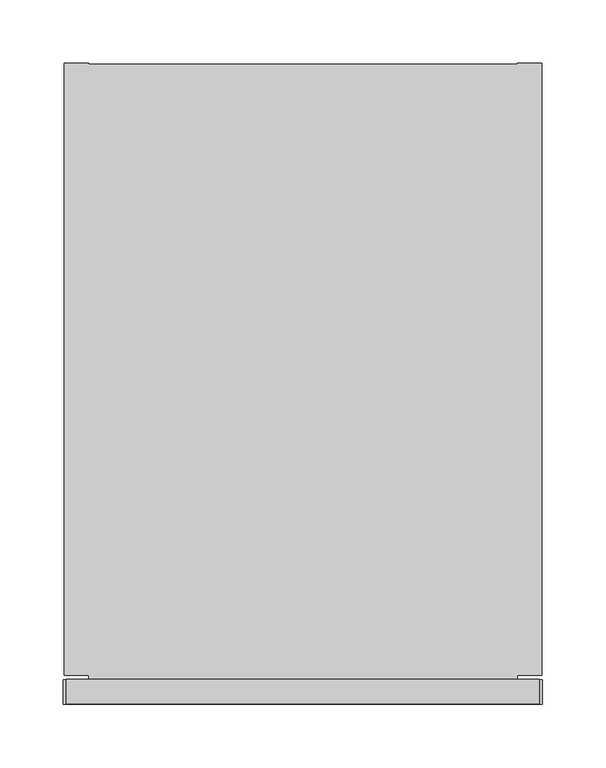
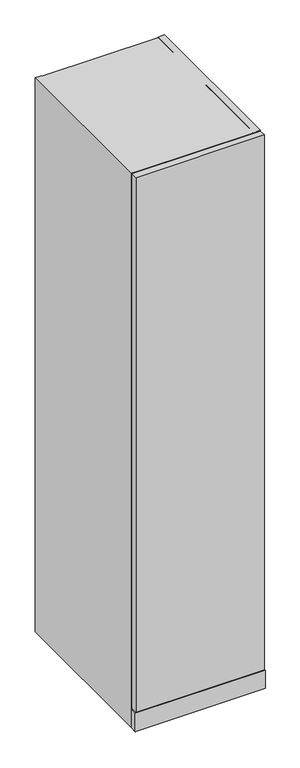
"""IFC4 building model written with IfcOpenShell, lengths in millimetres: furniture geometry."""

from ifc_helpers import new_model, si_unit, origin, place, context, project, spatial, triangles, source, transform, mapped, element, save


def furniture_85e6de10(model_context):
    return source(origin(), model_context, "Body", "Tessellation", [
        triangles([(0.0, -504.825, 4.6990001), (377.8250121, -504.825, 4.6990001), (377.8250121, -504.825, 60.2742007), (0.0, -504.825, 60.2742007), (377.8250121, -485.5209821, 4.6990001), (377.8250121, -485.5209821, 60.2742007), (0.0, -485.5209821, 4.6990001), (0.0, -485.5209821, 60.2742007)], [[1, 2, 3], [1, 3, 4], [3, 2, 5], [3, 5, 6], [5, 7, 8], [5, 8, 6], [8, 7, 1], [8, 1, 4], [7, 5, 2], [7, 2, 1], [8, 4, 3], [8, 3, 6]]),
        triangles([(323.6086993, -444.9650273, 0.0), (314.8583977, -460.1210063, 0.0), (314.8583977, -460.1210063, 12.7000004), (323.6086993, -444.9650273, 12.7000004), (341.1093026, -444.9650273, 0.0), (341.1093026, -444.9650273, 12.7000004), (349.8596043, -460.1210063, 0.0), (349.8596043, -460.1210063, 12.7000004), (341.1093026, -475.2769489, 0.0), (341.1093026, -475.2769489, 12.7000004), (323.6086993, -475.2769489, 0.0), (323.6086993, -475.2769489, 12.7000004), (54.2162992, -444.9650273, 12.7000004), (62.9666008, -460.1210063, 12.7000004), (62.9666008, -460.1210063, 0.0), (54.2162992, -444.9650273, 0.0), (36.7157004, -444.9650273, 12.7000004), (36.7157004, -444.9650273, 0.0), (27.965401, -460.1210063, 12.7000004), (27.965401, -460.1210063, 0.0), (36.7157004, -475.2769489, 12.7000004), (36.7157004, -475.2769489, 0.0), (54.2162992, -475.2769489, 12.7000004), (54.2162992, -475.2769489, 0.0), (323.6086993, -31.072036, 0.0), (314.8583977, -46.2280013, 0.0), (314.8583977, -46.2280013, 12.7000004), (323.6086993, -31.072036, 12.7000004), (341.1093026, -31.072036, 0.0), (341.1093026, -31.072036, 12.7000004), (349.8596043, -46.2280013, 0.0), (349.8596043, -46.2280013, 12.7000004), (341.1093026, -61.3839621, 0.0), (341.1093026, -61.3839621, 12.7000004), (323.6086993, -61.3839621, 0.0), (323.6086993, -61.3839621, 12.7000004), (54.2162992, -31.072036, 12.7000004), (62.9666008, -46.2280013, 12.7000004), (62.9666008, -46.2280013, 0.0), (54.2162992, -31.072036, 0.0), (36.7157004, -31.072036, 12.7000004), (36.7157004, -31.072036, 0.0), (27.965401, -46.2280013, 12.7000004), (27.965401, -46.2280013, 0.0), (36.7157004, -61.3839621, 12.7000004), (36.7157004, -61.3839621, 0.0), (54.2162992, -61.3839621, 12.7000004), (54.2162992, -61.3839621, 0.0)], [[1, 2, 3], [1, 3, 4], [5, 1, 4], [5, 4, 6], [7, 5, 6], [7, 6, 8], [9, 7, 8], [9, 8, 10], [11, 9, 10], [11, 10, 12], [2, 11, 12], [2, 12, 3], [7, 9, 11], [7, 11, 2], [1, 5, 7], [1, 7, 2], [8, 3, 12], [8, 12, 10], [4, 3, 8], [4, 8, 6], [13, 14, 15], [13, 15, 16], [17, 13, 16], [17, 16, 18], [19, 17, 18], [19, 18, 20], [21, 19, 20], [21, 20, 22], [23, 21, 22], [23, 22, 24], [14, 23, 24], [14, 24, 15], [15, 24, 22], [15, 22, 20], [15, 20, 18], [15, 18, 16], [21, 23, 19], [23, 14, 19], [17, 19, 14], [17, 14, 13], [25, 26, 27], [25, 27, 28], [29, 25, 28], [29, 28, 30], [31, 29, 30], [31, 30, 32], [33, 31, 32], [33, 32, 34], [35, 33, 34], [35, 34, 36], [26, 35, 36], [26, 36, 27], [31, 33, 26], [33, 35, 26], [25, 29, 31], [25, 31, 26], [32, 27, 34], [27, 36, 34], [28, 27, 32], [28, 32, 30], [37, 38, 39], [37, 39, 40], [41, 37, 40], [41, 40, 42], [43, 41, 42], [43, 42, 44], [45, 43, 44], [45, 44, 46], [47, 45, 46], [47, 46, 48], [38, 47, 48], [38, 48, 39], [39, 48, 44], [48, 46, 44], [39, 44, 42], [39, 42, 40], [45, 47, 43], [47, 38, 43], [41, 43, 38], [41, 38, 37]]),
        triangles([(2.3495, -504.825, 63.4492022), (375.4754826, -504.825, 63.4492022), (375.4754826, -504.825, 1703.6288612), (2.3495, -504.825, 1703.6288612), (375.4754826, -485.5209821, 63.4492022), (375.4754826, -485.5209821, 1703.6288612), (2.3495, -485.5209821, 63.4492022), (2.3495, -485.5209821, 1703.6288612)], [[1, 2, 3], [1, 3, 4], [3, 2, 5], [3, 5, 6], [5, 7, 8], [5, 8, 6], [8, 7, 1], [8, 1, 4], [7, 5, 2], [7, 2, 1], [8, 4, 3], [8, 3, 6]]),
        triangles([(377.0629947, -482.3459942, 4.6990001), (377.0629947, 0.0, 4.6990001), (377.0629947, 0.0, 1703.6288612), (377.0629947, -482.3459942, 1703.6288612), (357.7590131, 0.0, 4.6990001), (357.7590131, 0.0, 1703.6288612), (357.7590131, -482.3459942, 4.6990001), (357.7590131, -482.3459942, 1703.6288612), (20.065999, -482.3459942, 4.6990001), (20.065999, 0.0, 4.6990001), (20.065999, 0.0, 1703.6288612), (20.065999, -482.3459942, 1703.6288612), (0.762, 0.0, 4.6990001), (0.762, 0.0, 1703.6288612), (0.762, -482.3459942, 4.6990001), (0.762, -482.3459942, 1703.6288612), (357.7590131, -485.5209821, 59.5122014), (357.7590131, -20.8280006, 59.5122014), (20.065999, -20.8280006, 59.5122014), (20.065999, -485.5209821, 59.5122014), (357.7590131, -20.8280006, 40.2082016), (20.065999, -20.8280006, 40.2082016), (357.7590131, -485.5209821, 40.2082016), (20.065999, -485.5209821, 40.2082016), (20.065999, -20.8280006, 4.6990001), (357.7590131, -20.8280006, 4.6990001), (357.7590131, -20.8280006, 1683.5627895), (20.065999, -20.8280006, 1683.5627895), (357.7590131, -1.524, 4.6990001), (357.7590131, -1.524, 1683.5627895), (20.065999, -1.524, 4.6990001), (20.065999, -1.524, 1683.5627895), (357.7590131, -481.5840131, 1702.8668438), (357.7590131, -0.762, 1702.8668438), (20.065999, -0.762, 1702.8668438), (20.065999, -481.5840131, 1702.8668438), (357.7590131, -0.762, 1683.5627895), (20.065999, -0.762, 1683.5627895), (357.7590131, -481.5840131, 1683.5627895), (20.065999, -481.5840131, 1683.5627895)], [[1, 2, 3], [1, 3, 4], [3, 2, 5], [3, 5, 6], [5, 7, 8], [5, 8, 6], [8, 7, 1], [8, 1, 4], [7, 5, 2], [7, 2, 1], [8, 4, 3], [8, 3, 6], [9, 10, 11], [9, 11, 12], [11, 10, 13], [11, 13, 14], [13, 15, 16], [13, 16, 14], [16, 15, 9], [16, 9, 12], [15, 13, 10], [15, 10, 9], [16, 12, 11], [16, 11, 14], [17, 18, 19], [17, 19, 20], [19, 18, 21], [19, 21, 22], [21, 23, 24], [21, 24, 22], [24, 23, 17], [24, 17, 20], [23, 21, 18], [23, 18, 17], [24, 20, 19], [24, 19, 22], [25, 26, 27], [25, 27, 28], [27, 26, 29], [27, 29, 30], [29, 31, 32], [29, 32, 30], [32, 31, 25], [32, 25, 28], [31, 29, 26], [31, 26, 25], [32, 28, 27], [32, 27, 30], [33, 34, 35], [33, 35, 36], [35, 34, 37], [35, 37, 38], [37, 39, 40], [37, 40, 38], [40, 39, 33], [40, 33, 36], [39, 37, 34], [39, 34, 33], [40, 36, 35], [40, 35, 38]]),
    ])


if __name__ == "__main__":
    model = new_model("IFC4")
    model_context = context("Model", 3, world=origin())
    ifc_project = project(units=[si_unit("LENGTHUNIT", "METRE", prefix="MILLI")], contexts=[model_context])
    site = spatial("IfcSite", under=ifc_project)
    building = spatial("IfcBuilding", under=site)
    placement = place(None, origin())
    furniture_shape = furniture_85e6de10(model_context)
    element("IfcFurniture", 1, at=placement, inside=building, context=model_context, shape_type="MappedRepresentation", body=[
        mapped(furniture_shape, transform((0.0, 0.0, 0.0), x_axis=(1.0, 0.0, 0.0), y_axis=(0.0, 1.0, 0.0), z_axis=(0.0, 0.0, 1.0))),
    ])
    save(model, "model.ifc")
